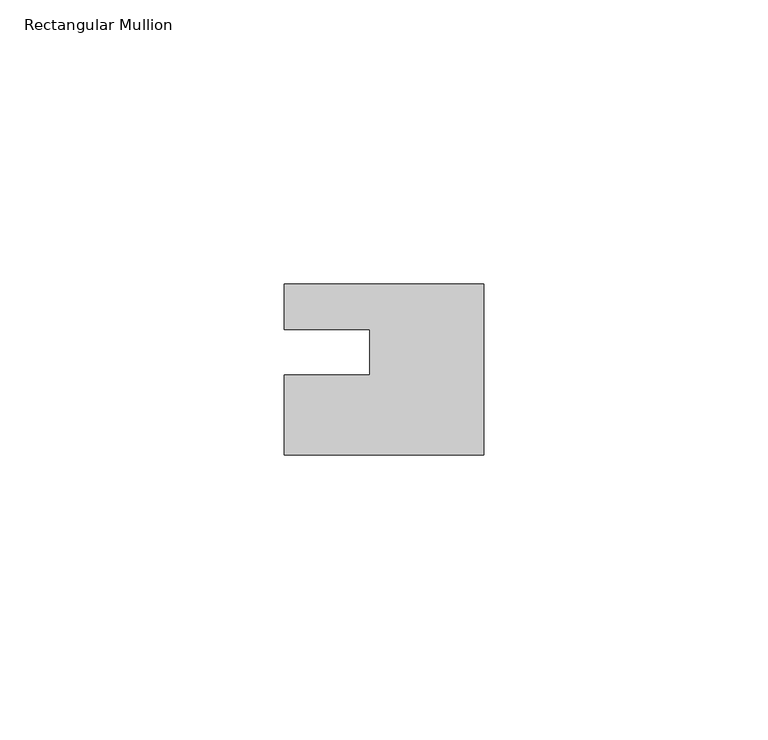
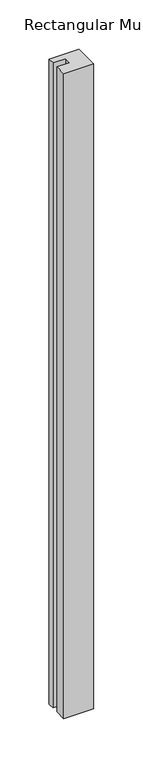
"""IFC4 building model written with IfcOpenShell, lengths in millimetres: member geometry, Rectangular Mullion."""

from ifc_helpers import new_model, si_unit, frame, origin, place, context, project, spatial, polyline, outline, extrude, source, transform, mapped, element, save


def rectangular_mullion_090e040e(model_context):
    return source(origin(), model_context, "Body", "SweptSolid", [
        extrude(outline(polyline([(0.0, 7.94), (0.0, -22.06), (-35.0, -22.06), (-35.0, -8.0), (-20.0, -8.0), (-20.0, 0.001), (-35.0, 0.001), (-35.0, 7.94), (0.0, 7.94)])), frame((0.0, 0.0, -800.0), z_axis=(0.0, 0.0, 1.0), x_axis=(1.0, 0.0, 0.0)), (0.0, 0.0, 1.0), 800.0),
    ])


if __name__ == "__main__":
    model = new_model("IFC4")
    model_context = context("Model", 3, world=origin())
    ifc_project = project(units=[si_unit("LENGTHUNIT", "METRE", prefix="MILLI")], contexts=[model_context])
    site = spatial("IfcSite", under=ifc_project)
    building = spatial("IfcBuilding", under=site)
    placement = place(None, origin())
    rectangular_mullion_shape = rectangular_mullion_090e040e(model_context)
    element("IfcMember", 1, ObjectType="Rectangular Mullion", at=placement, inside=building, context=model_context, shape_type="MappedRepresentation", body=[
        mapped(rectangular_mullion_shape, transform((0.0, 0.0, 0.0), x_axis=(1.0, 0.0, 0.0), y_axis=(0.0, 1.0, 0.0), z_axis=(0.0, 0.0, 1.0))),
    ])
    save(model, "model.ifc")
